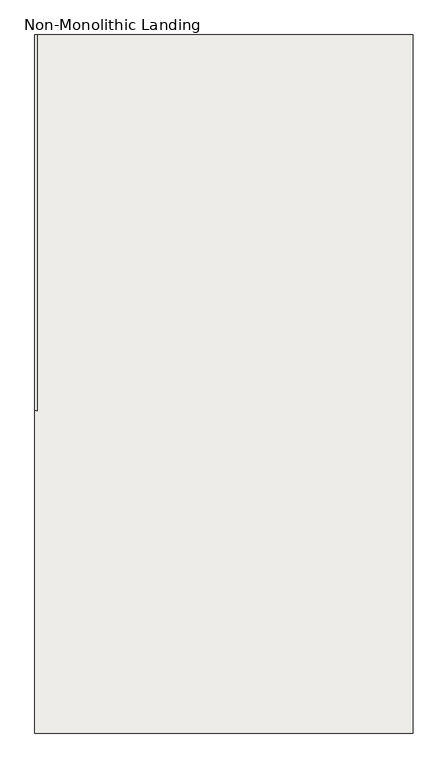
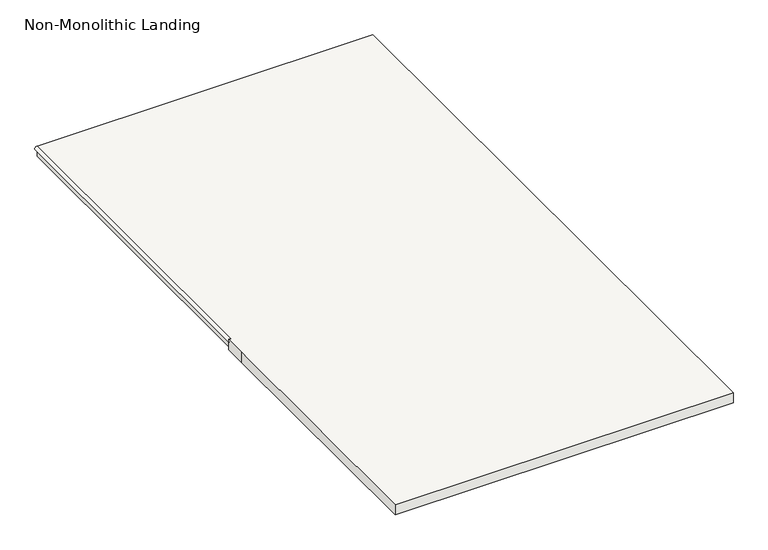
"""IFC4 building model written with IfcOpenShell, lengths in millimetres: slab geometry, Non-Monolithic Landing."""

from ifc_helpers import new_model, si_unit, frame, origin, place, context, project, spatial, circle_curve, source, transform, mapped, element, save
from ifc_brep_helpers import plane_surface, cylinder_surface, advanced_brep


def non_monolithic_landing_9fb6b166(model_context):
    return source(origin(), model_context, "Body", "AdvancedBrep", [
        advanced_brep(
        [(-21210.801725, 17296.6578262, 8750.0), (-21210.801725, 17296.6578262, 8730.0), (-21210.801725, 15738.4068866, 8730.0), (-21220.801725, 15738.4068866, 8740.0), (-21210.801725, 15738.4068866, 8750.0), (-21220.801725, 15738.4068866, 8750.0), (-21220.801725, 15638.0068866, 8750.0), (-21220.801725, 14401.3039623, 8750.0), (-19652.051843, 14401.3039623, 8750.0), (-19652.051843, 17296.6578262, 8750.0), (-21210.801725, 15738.4068866, 8700.0), (-21210.801725, 17296.6578262, 8700.0), (-19652.051843, 17296.6578262, 8700.0), (-19652.051843, 14401.3039623, 8700.0), (-21220.801725, 14401.3039623, 8700.0), (-21220.801725, 15638.0068866, 8700.0), (-21220.801725, 15738.4068866, 8700.0)],
        [
            (0, 1, circle_curve(frame((-21210.801725, 17296.6578262, 8740.0), z_axis=(0.0, -1.0, 0.0), x_axis=(1.0, 0.0, 0.0)), 10.0)),
            (1, 2),
            (2, 3, circle_curve(frame((-21210.801725, 15738.4068866, 8740.0), z_axis=(0.0, 1.0, 0.0), x_axis=(1.0, 0.0, 0.0)), 10.0)),
            (3, 4, circle_curve(frame((-21210.801725, 15738.4068866, 8740.0), z_axis=(0.0, 1.0, 0.0), x_axis=(1.0, 0.0, 0.0)), 10.0)),
            (4, 0),
            (4, 5),
            (5, 6),
            (6, 7),
            (7, 8),
            (8, 9),
            (9, 0),
            (10, 11),
            (11, 12),
            (12, 13),
            (13, 14),
            (14, 15),
            (15, 16),
            (16, 10),
            (10, 2),
            (1, 11),
            (3, 5),
            (16, 3),
            (15, 6),
            (14, 7),
            (13, 8),
            (12, 9),
        ],
        [
            cylinder_surface(frame((-21210.801725, 15738.4068866, 8740.0), z_axis=(0.0, -1.0, 0.0), x_axis=(1.0, 0.0, 0.0)), 10.0),
            plane_surface(frame((-21210.801725, 17296.6578262, 8750.0), z_axis=(0.0, 0.0, 1.0), x_axis=(0.0, -1.0, 0.0))),
            plane_surface(frame((-21210.801725, 17296.6578262, 8700.0), z_axis=(0.0, 0.0, -1.0), x_axis=(0.0, 1.0, 0.0))),
            plane_surface(frame((-21210.801725, 17296.6578262, 8750.0), z_axis=(-1.0, 0.0, 0.0), x_axis=(0.0, 0.0, -1.0))),
            plane_surface(frame((-21210.801725, 15738.4068866, 8750.0), z_axis=(0.0, 1.0, 0.0), x_axis=(0.0, 0.0, -1.0))),
            plane_surface(frame((-21220.801725, 15738.4068866, 8750.0), z_axis=(-1.0, 0.0, 0.0), x_axis=(0.0, 0.0, -1.0))),
            plane_surface(frame((-21220.801725, 15638.0068866, 8750.0), z_axis=(-1.0, 0.0, 0.0), x_axis=(0.0, 0.0, -1.0))),
            plane_surface(frame((-21220.801725, 14401.3039623, 8750.0), z_axis=(0.0, -1.0, 0.0), x_axis=(0.0, 0.0, -1.0))),
            plane_surface(frame((-19652.051843, 14401.3039623, 8750.0), z_axis=(1.0, 0.0, 0.0), x_axis=(0.0, 0.0, -1.0))),
            plane_surface(frame((-19652.051843, 17296.6578262, 8750.0), z_axis=(0.0, 1.0, 0.0), x_axis=(0.0, 0.0, -1.0))),
        ],
        [
            (0, [[1, 2, 3, 4, 5]]),
            (1, [[6, 7, 8, 9, 10, 11, -5]]),
            (2, [[12, 13, 14, 15, 16, 17, 18]]),
            (3, [[-12, 19, -2, 20]]),
            (4, [[-6, -4, 21]]),
            (4, [[-18, 22, -3, -19]]),
            (5, [[-7, -21, -22, -17, 23]]),
            (6, [[-8, -23, -16, 24]]),
            (7, [[-9, -24, -15, 25]]),
            (8, [[-10, -25, -14, 26]]),
            (9, [[-11, -26, -13, -20, -1]]),
        ],
    ),
    ])


if __name__ == "__main__":
    model = new_model("IFC4")
    model_context = context("Model", 3, world=origin())
    ifc_project = project(units=[si_unit("LENGTHUNIT", "METRE", prefix="MILLI")], contexts=[model_context])
    site = spatial("IfcSite", under=ifc_project)
    building = spatial("IfcBuilding", under=site)
    placement = place(None, origin())
    non_monolithic_landing_shape = non_monolithic_landing_9fb6b166(model_context)
    element("IfcSlab", 1, ObjectType="Non-Monolithic Landing", at=placement, inside=building, context=model_context, shape_type="MappedRepresentation", body=[
        mapped(non_monolithic_landing_shape, transform((0.0, 0.0, 0.0), x_axis=(1.0, 0.0, 0.0), y_axis=(0.0, 1.0, 0.0), z_axis=(0.0, 0.0, 1.0))),
    ])
    save(model, "model.ifc")
